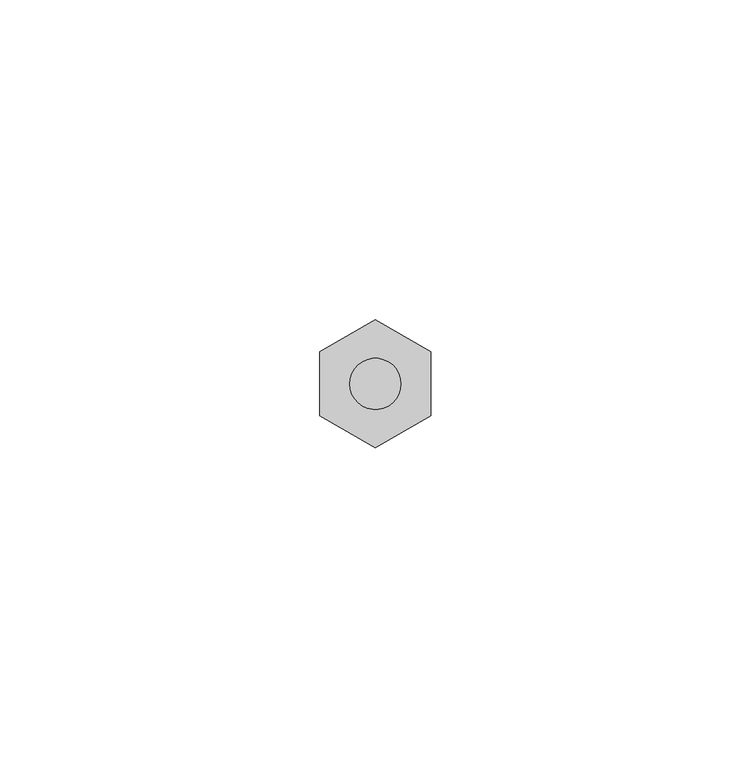
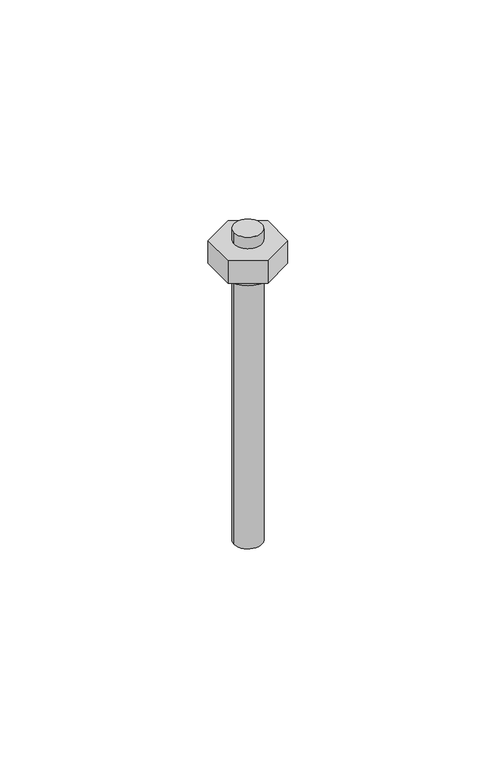
"""IFC4 building model written with IfcOpenShell, lengths in millimetres: proxy geometry."""

import ifcopenshell
import ifcopenshell.guid

model = None  # the IFC model being written
_history = None  # IfcOwnerHistory: only IFC2X3 demands one
_inside = {}  # id of a spatial element -> (the spatial element, [elements in it])
_under = {}  # id of a project, library or spatial element -> (it, [spatial elements below it])
_declared = {}  # id of a project -> (the project, [libraries it declares])
_typed = {}  # id of a type object -> (the type object, [elements of that type])
_made_of = {}  # id of a material, layer set ... -> (it, [elements and type objects made of it])


def new_model(schema):
    """Start an empty IFC model of exactly this schema.

    Asked for "IFC4X3", IfcOpenShell would pick the latest addendum, in which some entities
    have other attributes; the version numbers below select the first issue.
    IFC2X3 requires an IfcOwnerHistory on every rooted entity: one is made here for all.
    """
    global model, _history
    if schema == "IFC4X3":
        model = ifcopenshell.file(schema_version=(4, 3, 0, 0))
    else:
        model = ifcopenshell.file(schema=schema)
    _inside.clear()
    _under.clear()
    _declared.clear()
    _typed.clear()
    _made_of.clear()
    _history = None
    if model.schema == "IFC2X3":
        org = make("IfcOrganization", Name="unknown")
        user = make(
            "IfcPersonAndOrganization",
            ThePerson=make("IfcPerson", FamilyName="unknown"),
            TheOrganization=org,
        )
        app = make(
            "IfcApplication",
            ApplicationDeveloper=org,
            Version="unknown",
            ApplicationFullName="unknown",
            ApplicationIdentifier="unknown",
        )
        _history = make(
            "IfcOwnerHistory",
            OwningUser=user,
            OwningApplication=app,
            ChangeAction="ADDED",
            CreationDate=0,
        )
    return model


def make(cls, **values):
    """One entity of the class cls with the attributes given. An attribute that is None is left unset."""
    return model.create_entity(
        cls, **{name: value for name, value in values.items() if value is not None}
    )


def rooted(cls, **values):
    """An entity with a GlobalId (a new one), such as an element, a storey or a relation."""
    return make(cls, GlobalId=ifcopenshell.guid.new(), OwnerHistory=_history, **values)


def si_unit(unit_type, name, prefix=None):
    """IfcSIUnit, for example si_unit("LENGTHUNIT", "METRE", prefix="MILLI")."""
    return make("IfcSIUnit", UnitType=unit_type, Prefix=prefix, Name=name)


def assignment(units):
    """IfcUnitAssignment: the units of a project."""
    return None if units is None else make("IfcUnitAssignment", Units=units)


def point(xyz):
    """IfcCartesianPoint."""
    return None if xyz is None else make("IfcCartesianPoint", Coordinates=xyz)


def direction(xyz):
    """IfcDirection."""
    return None if xyz is None else make("IfcDirection", DirectionRatios=xyz)


def frame(location, z_axis=None, x_axis=None):
    """IfcAxis2Placement3D, a coordinate frame: its origin and axes. An axis left out is left unset."""
    return make(
        "IfcAxis2Placement3D",
        Location=point(location),
        Axis=direction(z_axis),
        RefDirection=direction(x_axis),
    )


def frame_2d(location, x_axis=None):
    """IfcAxis2Placement2D, a coordinate frame in the plane: its origin and x axis."""
    return make(
        "IfcAxis2Placement2D", Location=point(location), RefDirection=direction(x_axis)
    )


def origin():
    """The frame at (0, 0, 0) with its axes left unset."""
    return frame((0.0, 0.0, 0.0))


def origin_with_axes():
    """The frame at (0, 0, 0) with the z axis (0, 0, 1) and the x axis (1, 0, 0) written out."""
    return frame((0.0, 0.0, 0.0), z_axis=(0.0, 0.0, 1.0), x_axis=(1.0, 0.0, 0.0))


def origin_2d():
    """The frame at (0, 0) in the plane with its x axis left unset."""
    return frame_2d((0.0, 0.0))


def place(relative_to, where):
    """IfcLocalPlacement: puts the frame where relative to a parent placement (None: the world)."""
    return make(
        "IfcLocalPlacement", PlacementRelTo=relative_to, RelativePlacement=where
    )


def context(
    kind, dimensions, precision=None, world=None, true_north=None, identifier=None
):
    """IfcGeometricRepresentationContext, for example the 3D "Model" context."""
    return make(
        "IfcGeometricRepresentationContext",
        ContextIdentifier=identifier,
        ContextType=kind,
        CoordinateSpaceDimension=dimensions,
        Precision=precision,
        WorldCoordinateSystem=world,
        TrueNorth=true_north,
    )


def project(units=None, contexts=None):
    """IfcProject with its units and contexts."""
    return rooted(
        "IfcProject",
        Name="project",
        RepresentationContexts=contexts,
        UnitsInContext=assignment(units),
    )


def spatial(cls, under=None, at=None, **own):
    """A site, building, storey or space (cls), placed at a placement, below another one or the project."""
    s = rooted(cls, ObjectPlacement=at, **own)
    if under is not None:
        _under.setdefault(under.id(), (under, []))[1].append(s)
    return s


def polyline(points):
    """IfcPolyline through the points."""
    return make("IfcPolyline", Points=[point(p) for p in points])


def circle_curve(where, radius):
    """IfcCircle in the frame where."""
    return make("IfcCircle", Position=where, Radius=radius)


def trimmed(basis, trim1, trim2, sense, master):
    """IfcTrimmedCurve: the piece of a basis curve between two trims."""
    return make(
        "IfcTrimmedCurve",
        BasisCurve=basis,
        Trim1=trim1,
        Trim2=trim2,
        SenseAgreement=sense,
        MasterRepresentation=master,
    )


def segment(curve, same_sense, transition):
    """IfcCompositeCurveSegment."""
    return make(
        "IfcCompositeCurveSegment",
        Transition=transition,
        SameSense=same_sense,
        ParentCurve=curve,
    )


def composite_curve(segments, self_intersect=None):
    """IfcCompositeCurve: segments joined end to end."""
    return make("IfcCompositeCurve", Segments=segments, SelfIntersect=self_intersect)


def outline(outer, holes=None, kind="AREA"):
    """IfcArbitraryClosedProfileDef: a profile drawn as a closed curve; with holes, ...WithVoids."""
    if holes is None:
        return make("IfcArbitraryClosedProfileDef", ProfileType=kind, OuterCurve=outer)
    return make(
        "IfcArbitraryProfileDefWithVoids",
        ProfileType=kind,
        OuterCurve=outer,
        InnerCurves=holes,
    )


def extrude(swept, where, along, depth):
    """IfcExtrudedAreaSolid: the profile swept, set in the frame where, extruded along a direction by depth."""
    return make(
        "IfcExtrudedAreaSolid",
        SweptArea=swept,
        Position=where,
        ExtrudedDirection=direction(along),
        Depth=depth,
    )


def shape(context_of_items, identifier, shape_type, items):
    """IfcShapeRepresentation: the items that make up one representation, for example the "Body"."""
    return make(
        "IfcShapeRepresentation",
        ContextOfItems=context_of_items,
        RepresentationIdentifier=identifier,
        RepresentationType=shape_type,
        Items=items,
    )


def source(mapping_origin, context_of_items, identifier, shape_type, items):
    """IfcRepresentationMap: a shape defined once, which mapped items show again and again."""
    return make(
        "IfcRepresentationMap",
        MappingOrigin=mapping_origin,
        MappedRepresentation=shape(context_of_items, identifier, shape_type, items),
    )


def transform(
    local_origin,
    x_axis=None,
    y_axis=None,
    z_axis=None,
    scale=None,
    scale2=None,
    scale3=None,
    uniform=True,
):
    """IfcCartesianTransformationOperator3D, or its non-uniform kind. x_axis, y_axis, z_axis: its Axis1, 2, 3."""
    if uniform:
        return make(
            "IfcCartesianTransformationOperator3D",
            Axis1=direction(x_axis),
            Axis2=direction(y_axis),
            LocalOrigin=point(local_origin),
            Scale=scale,
            Axis3=direction(z_axis),
        )
    return make(
        "IfcCartesianTransformationOperator3DnonUniform",
        Axis1=direction(x_axis),
        Axis2=direction(y_axis),
        LocalOrigin=point(local_origin),
        Scale=scale,
        Axis3=direction(z_axis),
        Scale2=scale2,
        Scale3=scale3,
    )


def mapped(mapping_source, mapping_target):
    """IfcMappedItem: shows the shape of a source again, moved by a transform."""
    return make(
        "IfcMappedItem", MappingSource=mapping_source, MappingTarget=mapping_target
    )


def made_of(thing, what):
    """Note that an element or type object is made of a material, layer set ...; save() writes the relation."""
    if what is not None:
        _made_of.setdefault(what.id(), (what, []))[1].append(thing)
    return thing


def element(
    cls,
    number,
    at=None,
    inside=None,
    cuts=None,
    type_object=None,
    material=None,
    context=None,
    identifier="Body",
    shape_type=None,
    held_by="IfcProductDefinitionShape",
    body=None,
    shapes=None,
    **own,
):
    """One element of the class cls, such as IfcWall. Its Tag is "e" and its number.

    at: its placement. inside: the storey or other place that contains it. cuts: it is an
    opening in that element (IfcRelVoidsElement). A single representation is given by context,
    identifier, shape_type and body (its items); several are given by shapes. held_by: the class
    of the entity that holds the representations. save() writes the other relations.
    """
    e = rooted(cls, Tag="e%d" % number, ObjectPlacement=at, **own)
    if body is not None:
        shapes = [shape(context, identifier, shape_type, body)]
    if shapes is not None:
        e.Representation = make(held_by, Representations=shapes)
    if inside is not None:
        _inside.setdefault(inside.id(), (inside, []))[1].append(e)
    if cuts is not None:
        rooted(
            "IfcRelVoidsElement", RelatingBuildingElement=cuts, RelatedOpeningElement=e
        )
    if type_object is not None:
        _typed.setdefault(type_object.id(), (type_object, []))[1].append(e)
    return made_of(e, material)


def aggregate(whole, parts):
    """IfcRelAggregates: a whole, such as a stair, and the parts it consists of."""
    return rooted("IfcRelAggregates", RelatingObject=whole, RelatedObjects=parts)


def save(model, path):
    """Write the relations noted so far, then the file.

    IfcRelAggregates (storeys below a building ...), IfcRelContainedInSpatialStructure (elements
    in a storey), IfcRelDefinesByType, IfcRelAssociatesMaterial and IfcRelDeclares: one each for
    every whole, place, type object, material and project.
    """
    for whole, parts in _under.values():
        aggregate(whole, parts)
    for where, things in _inside.values():
        rooted(
            "IfcRelContainedInSpatialStructure",
            RelatedElements=things,
            RelatingStructure=where,
        )
    for kind, things in _typed.values():
        rooted("IfcRelDefinesByType", RelatedObjects=things, RelatingType=kind)
    for what, things in _made_of.values():
        rooted("IfcRelAssociatesMaterial", RelatedObjects=things, RelatingMaterial=what)
    for by, libraries in _declared.values():
        rooted("IfcRelDeclares", RelatingContext=by, RelatedDefinitions=libraries)
    model.write(path)


def generic_models_c37d35a2(model_context):
    return source(origin(), model_context, "Body", "SweptSolid", [
        extrude(outline(composite_curve([segment(trimmed(circle_curve(origin_2d(), 7.0054801), [point((-7.0054801, 0.0))], [point((7.0054801, 0.0))], False, "CARTESIAN"), True, "CONTINUOUS"), segment(trimmed(circle_curve(origin_2d(), 7.0054801), [point((7.0054801, 0.0))], [point((-7.0054801, 0.0))], False, "CARTESIAN"), True, "CONTINUOUS")], self_intersect=False)), frame((0.0, 0.0, 83.0), z_axis=(0.0, 0.0, 1.0), x_axis=(1.0, 0.0, 0.0)), (0.0, 0.0, 1.0), 2.0),
        extrude(outline(polyline([(-8.660254, 5.0), (0.0, 10.0), (8.660254, 5.0), (8.660254, -5.0), (0.0, -10.0), (-8.660254, -5.0), (-8.660254, 5.0)])), frame((0.0, 0.0, 85.0), z_axis=(0.0, 0.0, 1.0), x_axis=(1.0, 0.0, 0.0)), (0.0, 0.0, 1.0), 7.0),
        extrude(outline(composite_curve([segment(trimmed(circle_curve(origin_2d(), 4.0), [point((-4.0, 0.0))], [point((4.0, 0.0))], False, "CARTESIAN"), True, "CONTINUOUS"), segment(trimmed(circle_curve(origin_2d(), 4.0), [point((4.0, 0.0))], [point((-4.0, 0.0))], False, "CARTESIAN"), True, "CONTINUOUS")], self_intersect=False)), origin_with_axes(), (0.0, 0.0, 1.0), 95.8370665),
    ])


if __name__ == "__main__":
    model = new_model("IFC4")
    model_context = context("Model", 3, world=origin())
    ifc_project = project(units=[si_unit("LENGTHUNIT", "METRE", prefix="MILLI")], contexts=[model_context])
    site = spatial("IfcSite", under=ifc_project)
    building = spatial("IfcBuilding", under=site)
    placement = place(None, origin())
    generic_models_shape = generic_models_c37d35a2(model_context)
    element("IfcBuildingElementProxy", 1, Name="Generic Models", at=placement, inside=building, context=model_context, shape_type="MappedRepresentation", body=[
        mapped(generic_models_shape, transform((0.0, 0.0, 0.0), x_axis=(1.0, 0.0, 0.0), y_axis=(0.0, 1.0, 0.0), z_axis=(0.0, 0.0, 1.0))),
    ])
    save(model, "model.ifc")
